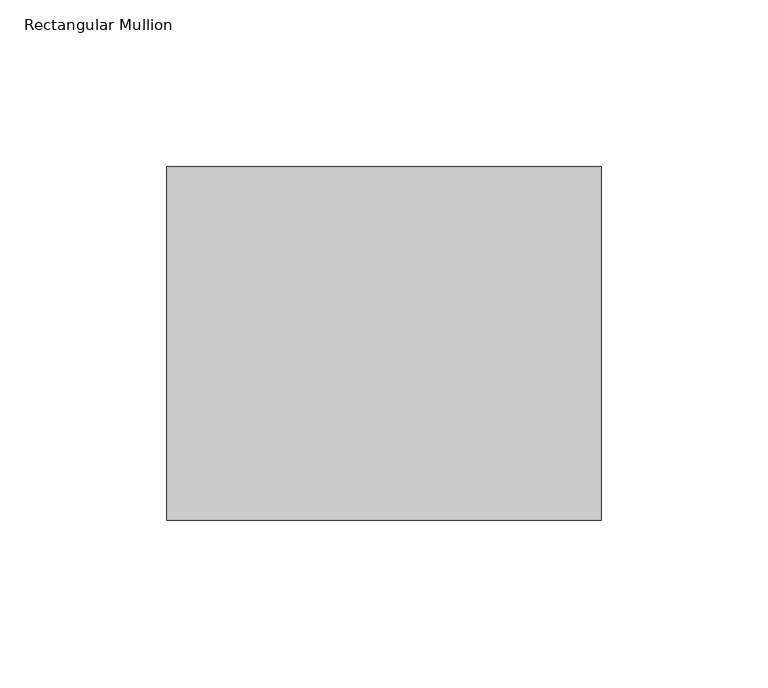
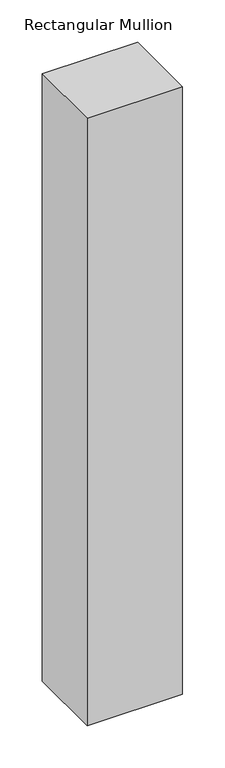
"""IFC4 building model written with IfcOpenShell, lengths in millimetres: member geometry, Rectangular Mullion."""

from ifc_helpers import new_model, si_unit, frame, origin, place, context, project, spatial, polyline, outline, extrude, source, transform, mapped, element, save


def rectangular_mullion_94cdfa46(model_context):
    return source(origin(), model_context, "Body", "SweptSolid", [
        extrude(outline(polyline([(-130.0, 52.8779994), (0.0, 52.8779994), (0.0, -52.8779994), (-130.0, -52.8779994), (-130.0, 52.8779994)])), frame((0.0, 0.0, -876.0), z_axis=(0.0, 0.0, 1.0), x_axis=(1.0, 0.0, 0.0)), (0.0, 0.0, 1.0), 876.0),
    ])


if __name__ == "__main__":
    model = new_model("IFC4")
    model_context = context("Model", 3, world=origin())
    ifc_project = project(units=[si_unit("LENGTHUNIT", "METRE", prefix="MILLI")], contexts=[model_context])
    site = spatial("IfcSite", under=ifc_project)
    building = spatial("IfcBuilding", under=site)
    placement = place(None, origin())
    rectangular_mullion_shape = rectangular_mullion_94cdfa46(model_context)
    element("IfcMember", 1, ObjectType="Rectangular Mullion", at=placement, inside=building, context=model_context, shape_type="MappedRepresentation", body=[
        mapped(rectangular_mullion_shape, transform((0.0, 0.0, 0.0), x_axis=(1.0, 0.0, 0.0), y_axis=(0.0, 1.0, 0.0), z_axis=(0.0, 0.0, 1.0))),
    ])
    save(model, "model.ifc")
